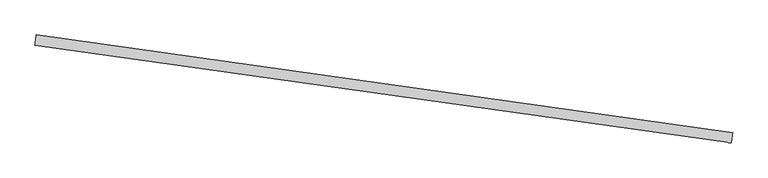
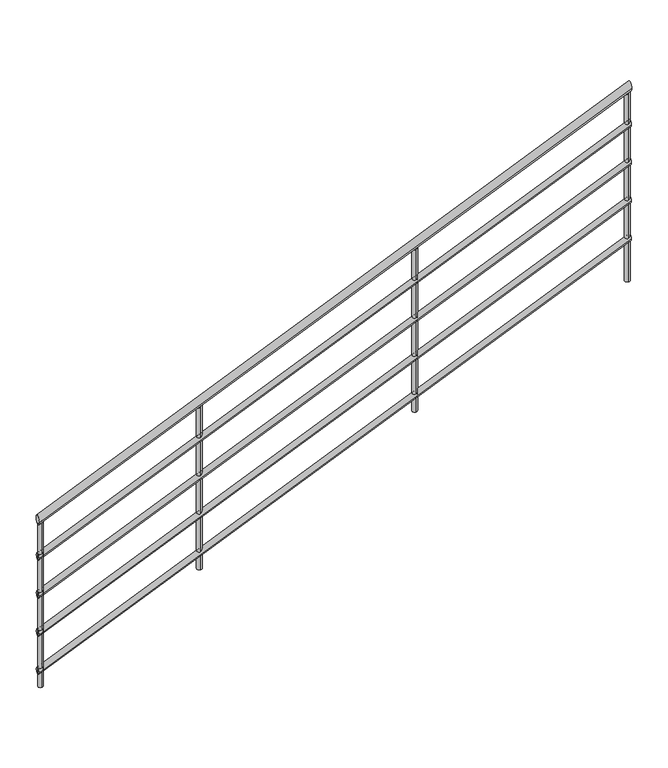
"""IFC4 building model written with IfcOpenShell, lengths in millimetres: railing geometry."""

from ifc_helpers import new_model, si_unit, frame, origin, place, context, project, spatial, circle_curve, ellipse_curve, source, transform, mapped, element, save
from ifc_brep_helpers import plane_surface, cylinder_surface, advanced_brep


def railing_df2304af(model_context):
    return source(origin(), model_context, "Body", "AdvancedBrep", [
        advanced_brep(
        [(-14595.6895718, 84.5178053, 877.0120805), (-14601.2564958, 44.9070825, 877.0120805), (-17318.9267608, 467.2438329, -681.3212529), (-17324.4936848, 427.6331101, -681.3212529)],
        [
            (0, 1, ellipse_curve(frame((-14598.4730338, 64.7124439, 877.0120805), z_axis=(0.990268068741569, -0.13917310096007457, 0.0), x_axis=(0.0, 0.0, 1.0)), 22.9879195, 20.0)),
            (1, 0, ellipse_curve(frame((-14598.4730338, 64.7124439, 877.0120805), z_axis=(0.990268068741569, -0.13917310096007457, 0.0), x_axis=(0.0, 0.0, 1.0)), 22.9879195, 20.0)),
            (2, 3, ellipse_curve(frame((-17321.7102228, 447.4384715, -681.3212529), z_axis=(-0.990268068741569, 0.13917310096007457, 0.0), x_axis=(0.0, 0.0, 1.0)), 22.9879195, 20.0)),
            (3, 2, ellipse_curve(frame((-17321.7102228, 447.4384715, -681.3212529), z_axis=(-0.990268068741569, 0.13917310096007457, 0.0), x_axis=(0.0, 0.0, 1.0)), 22.9879195, 20.0)),
            (0, 2),
            (3, 1),
        ],
        [
            plane_surface(frame((-14598.4730338, 64.7124439, 900.0), z_axis=(0.990268068741569, -0.13917310096007457, 0.0), x_axis=(0.13917310096007457, 0.990268068741569, 0.0))),
            plane_surface(frame((-17321.7102228, 447.4384715, -658.3333333), z_axis=(-0.990268068741569, 0.13917310096007457, 0.0), x_axis=(0.13917310096007457, 0.990268068741569, 0.0))),
            cylinder_surface(frame((-14588.7087416, 63.3401621, 882.5995563), z_axis=(0.8615551897426242, -0.12108368550861376, 0.49301257198087967), x_axis=(-0.1391731009600746, -0.9902680687415691, 0.0)), 20.0),
        ],
        [
            (0, [[1, 2]]),
            (1, [[3, 4]]),
            (2, [[-1, 5, -4, 6]]),
            (2, [[-2, -6, -3, -5]]),
        ],
    ),
        advanced_brep(
        [(-14596.3854373, 79.5664649, 682.7590604), (-14600.5606303, 49.8584228, 682.7590604), (-17319.6226263, 462.2924925, -875.574273), (-17323.7978193, 432.5844505, -875.574273)],
        [
            (0, 1, ellipse_curve(frame((-14598.4730338, 64.7124439, 682.7590604), z_axis=(0.990268068741569, -0.13917310096007457, 0.0), x_axis=(0.0, 0.0, 1.0)), 17.2409396, 15.0)),
            (1, 0, ellipse_curve(frame((-14598.4730338, 64.7124439, 682.7590604), z_axis=(0.990268068741569, -0.13917310096007457, 0.0), x_axis=(0.0, 0.0, 1.0)), 17.2409396, 15.0)),
            (2, 3, ellipse_curve(frame((-17321.7102228, 447.4384715, -875.574273), z_axis=(-0.990268068741569, 0.13917310096007457, 0.0), x_axis=(0.0, 0.0, 1.0)), 17.2409396, 15.0)),
            (3, 2, ellipse_curve(frame((-17321.7102228, 447.4384715, -875.574273), z_axis=(-0.990268068741569, 0.13917310096007457, 0.0), x_axis=(0.0, 0.0, 1.0)), 17.2409396, 15.0)),
            (0, 2),
            (3, 1),
        ],
        [
            plane_surface(frame((-14598.4730338, 64.7124439, 700.0), z_axis=(0.990268068741569, -0.13917310096007457, 0.0), x_axis=(0.13917310096007457, 0.990268068741569, 0.0))),
            plane_surface(frame((-17321.7102228, 447.4384715, -858.3333333), z_axis=(-0.990268068741569, 0.13917310096007457, 0.0), x_axis=(0.13917310096007457, 0.990268068741569, 0.0))),
            cylinder_surface(frame((-14591.1498147, 63.6832325, 686.9496672), z_axis=(0.8615551897426242, -0.12108368550861376, 0.49301257198087967), x_axis=(-0.1391731009600746, -0.9902680687415691, 0.0)), 15.0),
        ],
        [
            (0, [[1, 2]]),
            (1, [[3, 4]]),
            (2, [[-1, 5, -4, 6]]),
            (2, [[-2, -6, -3, -5]]),
        ],
    ),
        advanced_brep(
        [(-14596.3854373, 79.5664649, 482.7590604), (-14600.5606303, 49.8584228, 482.7590604), (-17319.6226263, 462.2924925, -1075.574273), (-17323.7978193, 432.5844505, -1075.574273)],
        [
            (0, 1, ellipse_curve(frame((-14598.4730338, 64.7124439, 482.7590604), z_axis=(0.990268068741569, -0.13917310096007457, 0.0), x_axis=(0.0, 0.0, 1.0)), 17.2409396, 15.0)),
            (1, 0, ellipse_curve(frame((-14598.4730338, 64.7124439, 482.7590604), z_axis=(0.990268068741569, -0.13917310096007457, 0.0), x_axis=(0.0, 0.0, 1.0)), 17.2409396, 15.0)),
            (2, 3, ellipse_curve(frame((-17321.7102228, 447.4384715, -1075.574273), z_axis=(-0.990268068741569, 0.13917310096007457, 0.0), x_axis=(0.0, 0.0, 1.0)), 17.2409396, 15.0)),
            (3, 2, ellipse_curve(frame((-17321.7102228, 447.4384715, -1075.574273), z_axis=(-0.990268068741569, 0.13917310096007457, 0.0), x_axis=(0.0, 0.0, 1.0)), 17.2409396, 15.0)),
            (0, 2),
            (3, 1),
        ],
        [
            plane_surface(frame((-14598.4730338, 64.7124439, 500.0), z_axis=(0.990268068741569, -0.13917310096007457, 0.0), x_axis=(0.13917310096007457, 0.990268068741569, 0.0))),
            plane_surface(frame((-17321.7102228, 447.4384715, -1058.3333333), z_axis=(-0.990268068741569, 0.13917310096007457, 0.0), x_axis=(0.13917310096007457, 0.990268068741569, 0.0))),
            cylinder_surface(frame((-14591.1498147, 63.6832325, 486.9496672), z_axis=(0.8615551897426242, -0.12108368550861376, 0.49301257198087967), x_axis=(-0.1391731009600746, -0.9902680687415691, 0.0)), 15.0),
        ],
        [
            (0, [[1, 2]]),
            (1, [[3, 4]]),
            (2, [[-1, 5, -4, 6]]),
            (2, [[-2, -6, -3, -5]]),
        ],
    ),
        advanced_brep(
        [(-14596.3854373, 79.5664649, 282.7590604), (-14600.5606303, 49.8584228, 282.7590604), (-17319.6226263, 462.2924925, -1275.574273), (-17323.7978193, 432.5844505, -1275.574273)],
        [
            (0, 1, ellipse_curve(frame((-14598.4730338, 64.7124439, 282.7590604), z_axis=(0.990268068741569, -0.13917310096007457, 0.0), x_axis=(0.0, 0.0, 1.0)), 17.2409396, 15.0)),
            (1, 0, ellipse_curve(frame((-14598.4730338, 64.7124439, 282.7590604), z_axis=(0.990268068741569, -0.13917310096007457, 0.0), x_axis=(0.0, 0.0, 1.0)), 17.2409396, 15.0)),
            (2, 3, ellipse_curve(frame((-17321.7102228, 447.4384715, -1275.574273), z_axis=(-0.990268068741569, 0.13917310096007457, 0.0), x_axis=(0.0, 0.0, 1.0)), 17.2409396, 15.0)),
            (3, 2, ellipse_curve(frame((-17321.7102228, 447.4384715, -1275.574273), z_axis=(-0.990268068741569, 0.13917310096007457, 0.0), x_axis=(0.0, 0.0, 1.0)), 17.2409396, 15.0)),
            (0, 2),
            (3, 1),
        ],
        [
            plane_surface(frame((-14598.4730338, 64.7124439, 300.0), z_axis=(0.990268068741569, -0.13917310096007457, 0.0), x_axis=(0.13917310096007457, 0.990268068741569, 0.0))),
            plane_surface(frame((-17321.7102228, 447.4384715, -1258.3333333), z_axis=(-0.990268068741569, 0.13917310096007457, 0.0), x_axis=(0.13917310096007457, 0.990268068741569, 0.0))),
            cylinder_surface(frame((-14591.1498147, 63.6832325, 286.9496672), z_axis=(0.8615551897426242, -0.12108368550861376, 0.49301257198087967), x_axis=(-0.1391731009600746, -0.9902680687415691, 0.0)), 15.0),
        ],
        [
            (0, [[1, 2]]),
            (1, [[3, 4]]),
            (2, [[-1, 5, -4, 6]]),
            (2, [[-2, -6, -3, -5]]),
        ],
    ),
        advanced_brep(
        [(-14596.3854373, 79.5664649, 82.7590604), (-14600.5606303, 49.8584228, 82.7590604), (-17319.6226263, 462.2924925, -1475.574273), (-17323.7978193, 432.5844505, -1475.574273)],
        [
            (0, 1, ellipse_curve(frame((-14598.4730338, 64.7124439, 82.7590604), z_axis=(0.990268068741569, -0.13917310096007457, 0.0), x_axis=(0.0, 0.0, 1.0)), 17.2409396, 15.0)),
            (1, 0, ellipse_curve(frame((-14598.4730338, 64.7124439, 82.7590604), z_axis=(0.990268068741569, -0.13917310096007457, 0.0), x_axis=(0.0, 0.0, 1.0)), 17.2409396, 15.0)),
            (2, 3, ellipse_curve(frame((-17321.7102228, 447.4384715, -1475.574273), z_axis=(-0.990268068741569, 0.13917310096007457, 0.0), x_axis=(0.0, 0.0, 1.0)), 17.2409396, 15.0)),
            (3, 2, ellipse_curve(frame((-17321.7102228, 447.4384715, -1475.574273), z_axis=(-0.990268068741569, 0.13917310096007457, 0.0), x_axis=(0.0, 0.0, 1.0)), 17.2409396, 15.0)),
            (0, 2),
            (3, 1),
        ],
        [
            plane_surface(frame((-14598.4730338, 64.7124439, 100.0), z_axis=(0.990268068741569, -0.13917310096007457, 0.0), x_axis=(0.13917310096007457, 0.990268068741569, 0.0))),
            plane_surface(frame((-17321.7102228, 447.4384715, -1458.3333333), z_axis=(-0.990268068741569, 0.13917310096007457, 0.0), x_axis=(0.13917310096007457, 0.990268068741569, 0.0))),
            cylinder_surface(frame((-14591.1498147, 63.6832325, 86.9496672), z_axis=(0.8615551897426242, -0.12108368550861376, 0.49301257198087967), x_axis=(-0.1391731009600746, -0.9902680687415691, 0.0)), 15.0),
        ],
        [
            (0, [[1, 2]]),
            (1, [[3, 4]]),
            (2, [[-1, 5, -4, 6]]),
            (2, [[-2, -6, -3, -5]]),
        ],
    ),
        advanced_brep(
        [(-16580.748835, 330.6802949, -279.3091724), (-16577.2695075, 355.4369967, -279.3091724), (-16577.2695075, 355.4369967, -1133.3333333), (-16580.748835, 330.6802949, -1133.3333333)],
        [
            (0, 1, ellipse_curve(frame((-16579.0091713, 343.0586458, -279.3091724), z_axis=(0.48821460752082085, -0.06861408845488119, -0.8700221858486119), x_axis=(0.8615551897426235, -0.12108368550861363, 0.49301257198088094)), 14.3674497, 12.5)),
            (1, 2),
            (2, 3, circle_curve(frame((-16579.0091713, 343.0586458, -1133.3333333), z_axis=(0.0, 0.0, 1.0), x_axis=(0.13917310096007457, 0.990268068741569, 0.0)), 12.5)),
            (3, 0),
            (3, 2, circle_curve(frame((-16579.0091713, 343.0586458, -1133.3333333), z_axis=(0.0, 0.0, 1.0), x_axis=(0.13917310096007457, 0.990268068741569, 0.0)), 12.5)),
            (1, 0, ellipse_curve(frame((-16579.0091713, 343.0586458, -279.3091724), z_axis=(0.48821460752082085, -0.06861408845488119, -0.8700221858486119), x_axis=(0.8615551897426235, -0.12108368550861363, 0.49301257198088094)), 14.3674497, 12.5)),
        ],
        [
            cylinder_surface(frame((-16579.0091713, 343.0586458, -1233.3333333), z_axis=(0.0, 0.0, 1.0), x_axis=(0.13917310096007457, 0.990268068741569, 0.0)), 12.5),
            plane_surface(frame((-16600.2865455, 371.294675, -293.4758391), z_axis=(-0.48821460752082085, 0.06861408845488119, 0.8700221858486119), x_axis=(-0.13917310096007457, -0.990268068741569, 0.0))),
            plane_surface(frame((-16550.773142, 364.33602, -1133.3333333), z_axis=(0.0, 0.0, -1.0), x_axis=(-0.13917310096007457, -0.990268068741569, 0.0))),
        ],
        [
            (0, [[1, 2, 3, 4]]),
            (0, [[5, -2, 6, -4]]),
            (1, [[-6, -1]]),
            (2, [[-5, -3]]),
        ],
    ),
        advanced_brep(
        [(-15590.4807663, 191.507194, 287.3574943), (-15587.0014388, 216.2638957, 287.3574943), (-15587.0014388, 216.2638957, -566.6666667), (-15590.4807663, 191.507194, -566.6666667)],
        [
            (0, 1, ellipse_curve(frame((-15588.7411025, 203.8855448, 287.3574943), z_axis=(0.48821460752082085, -0.06861408845488119, -0.8700221858486119), x_axis=(0.8615551897426235, -0.12108368550861363, 0.49301257198088094)), 14.3674497, 12.5)),
            (1, 2),
            (2, 3, circle_curve(frame((-15588.7411025, 203.8855448, -566.6666667), z_axis=(0.0, 0.0, 1.0), x_axis=(0.13917310096007457, 0.990268068741569, 0.0)), 12.5)),
            (3, 0),
            (3, 2, circle_curve(frame((-15588.7411025, 203.8855448, -566.6666667), z_axis=(0.0, 0.0, 1.0), x_axis=(0.13917310096007457, 0.990268068741569, 0.0)), 12.5)),
            (1, 0, ellipse_curve(frame((-15588.7411025, 203.8855448, 287.3574943), z_axis=(0.48821460752082085, -0.06861408845488119, -0.8700221858486119), x_axis=(0.8615551897426235, -0.12108368550861363, 0.49301257198088094)), 14.3674497, 12.5)),
        ],
        [
            cylinder_surface(frame((-15588.7411025, 203.8855448, -666.6666667), z_axis=(0.0, 0.0, 1.0), x_axis=(0.13917310096007457, 0.990268068741569, 0.0)), 12.5),
            plane_surface(frame((-15610.0184767, 232.1215741, 273.1908276), z_axis=(-0.48821460752082085, 0.06861408845488119, 0.8700221858486119), x_axis=(-0.13917310096007457, -0.990268068741569, 0.0))),
            plane_surface(frame((-15560.5050733, 225.162919, -566.6666667), z_axis=(0.0, 0.0, -1.0), x_axis=(-0.13917310096007457, -0.990268068741569, 0.0))),
        ],
        [
            (0, [[1, 2, 3, 4]]),
            (0, [[5, -2, 6, -4]]),
            (1, [[-6, -1]]),
            (2, [[-5, -3]]),
        ],
    ),
        advanced_brep(
        [(-17311.0715357, 433.3204569, -697.2258391), (-17307.5922082, 458.0771586, -697.2258391), (-17307.5922082, 458.0771586, -1558.3333333), (-17311.0715357, 433.3204569, -1558.3333333)],
        [
            (0, 1, ellipse_curve(frame((-17309.331872, 445.6988078, -697.2258391), z_axis=(0.48821460752081913, -0.06861408845488094, -0.870022185848613), x_axis=(0.8615551897426246, -0.1210836855086138, 0.49301257198087894)), 14.3674497, 12.5)),
            (1, 2),
            (2, 3, circle_curve(frame((-17309.331872, 445.6988078, -1558.3333333), z_axis=(0.0, 0.0, 1.0), x_axis=(0.13917310096007457, 0.990268068741569, 0.0)), 12.5)),
            (3, 0),
            (3, 2, circle_curve(frame((-17309.331872, 445.6988078, -1558.3333333), z_axis=(0.0, 0.0, 1.0), x_axis=(0.13917310096007457, 0.990268068741569, 0.0)), 12.5)),
            (1, 0, ellipse_curve(frame((-17309.331872, 445.6988078, -697.2258391), z_axis=(0.48821460752081913, -0.06861408845488094, -0.870022185848613), x_axis=(0.8615551897426246, -0.1210836855086138, 0.49301257198087894)), 14.3674497, 12.5)),
        ],
        [
            cylinder_surface(frame((-17309.331872, 445.6988078, -1658.3333333), z_axis=(0.0, 0.0, 1.0), x_axis=(0.13917310096007457, 0.990268068741569, 0.0)), 12.5),
            plane_surface(frame((-17330.6092462, 473.934837, -711.3925057), z_axis=(-0.48821460752081913, 0.06861408845488094, 0.870022185848613), x_axis=(-0.13917310096007457, -0.990268068741569, 0.0))),
            plane_surface(frame((-17281.0958427, 466.9761819, -1558.3333333), z_axis=(0.0, 0.0, -1.0), x_axis=(-0.13917310096007457, -0.990268068741569, 0.0))),
        ],
        [
            (0, [[1, 2, 3, 4]]),
            (0, [[5, -2, 6, -4]]),
            (1, [[-6, -1]]),
            (2, [[-5, -3]]),
        ],
    ),
        advanced_brep(
        [(-14612.5910484, 54.0737568, 846.9408276), (-14609.1117209, 78.8304585, 846.9408276), (-14609.1117209, 78.8304585, -141.6666667), (-14612.5910484, 54.0737568, -141.6666667)],
        [
            (0, 1, ellipse_curve(frame((-14610.8513846, 66.4521076, 846.9408276), z_axis=(0.48821460752082085, -0.06861408845488119, -0.8700221858486119), x_axis=(0.8615551897426235, -0.12108368550861363, 0.49301257198088094)), 14.3674497, 12.5)),
            (1, 2),
            (2, 3, circle_curve(frame((-14610.8513846, 66.4521076, -141.6666667), z_axis=(0.0, 0.0, 1.0), x_axis=(0.13917310096007457, 0.990268068741569, 0.0)), 12.5)),
            (3, 0),
            (3, 2, circle_curve(frame((-14610.8513846, 66.4521076, -141.6666667), z_axis=(0.0, 0.0, 1.0), x_axis=(0.13917310096007457, 0.990268068741569, 0.0)), 12.5)),
            (1, 0, ellipse_curve(frame((-14610.8513846, 66.4521076, 846.9408276), z_axis=(0.48821460752082085, -0.06861408845488119, -0.8700221858486119), x_axis=(0.8615551897426235, -0.12108368550861363, 0.49301257198088094)), 14.3674497, 12.5)),
        ],
        [
            cylinder_surface(frame((-14610.8513846, 66.4521076, -241.6666667), z_axis=(0.0, 0.0, 1.0), x_axis=(0.13917310096007457, 0.990268068741569, 0.0)), 12.5),
            plane_surface(frame((-14632.1287588, 94.6881369, 832.7741609), z_axis=(-0.48821460752082085, 0.06861408845488119, 0.8700221858486119), x_axis=(-0.13917310096007457, -0.990268068741569, 0.0))),
            plane_surface(frame((-14582.6153554, 87.7294818, -141.6666667), z_axis=(0.0, 0.0, -1.0), x_axis=(-0.13917310096007457, -0.990268068741569, 0.0))),
        ],
        [
            (0, [[1, 2, 3, 4]]),
            (0, [[5, -2, 6, -4]]),
            (1, [[-6, -1]]),
            (2, [[-5, -3]]),
        ],
    ),
    ])


if __name__ == "__main__":
    model = new_model("IFC4")
    model_context = context("Model", 3, world=origin())
    ifc_project = project(units=[si_unit("LENGTHUNIT", "METRE", prefix="MILLI")], contexts=[model_context])
    site = spatial("IfcSite", under=ifc_project)
    building = spatial("IfcBuilding", under=site)
    placement = place(None, origin())
    railing_shape = railing_df2304af(model_context)
    element("IfcRailing", 1, at=placement, inside=building, context=model_context, shape_type="MappedRepresentation", body=[
        mapped(railing_shape, transform((0.0, 0.0, 0.0), x_axis=(1.0, 0.0, 0.0), y_axis=(0.0, 1.0, 0.0), z_axis=(0.0, 0.0, 1.0))),
    ])
    save(model, "model.ifc")
